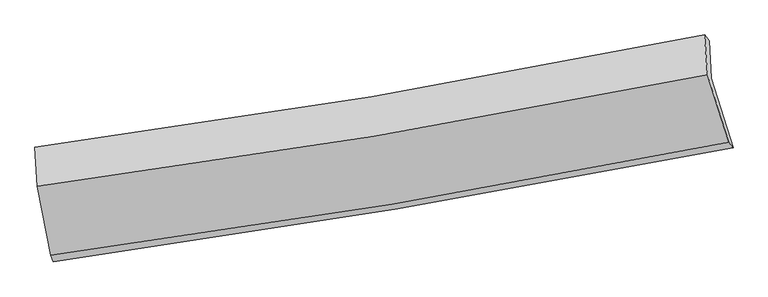
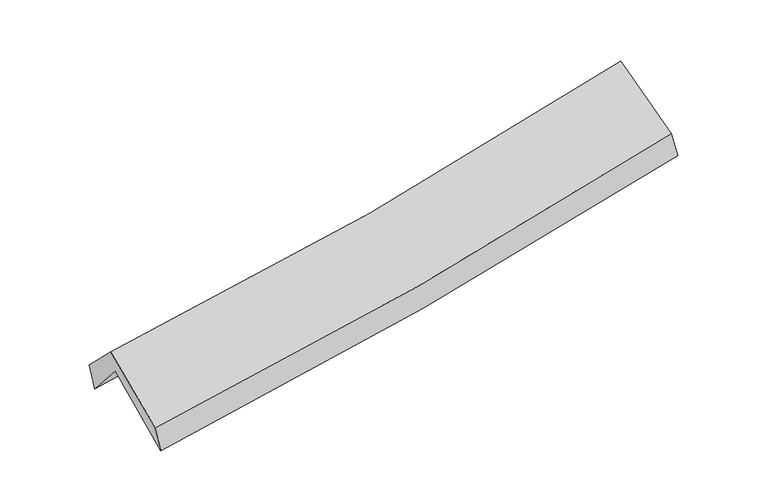
"""IFC4 building model written with IfcOpenShell, lengths in millimetres: proxy geometry."""

from ifc_helpers import new_model, si_unit, frame, origin, place, context, project, spatial, source, transform, mapped, element, save
from ifc_brep_helpers import plane_surface, spline_curve, spline_surface, advanced_brep


def generic_models_846a6b24(model_context):
    return source(origin(), model_context, "Body", "AdvancedBrep", [
        advanced_brep(
        [(-2317.5441132, -2480.0956779, 1473.7495643), (-2413.8974077, -1985.9219531, 1921.5874149), (2340.0819486, -1181.0416966, 2353.175275), (2495.2819859, -1673.8110603, 1929.2039938), (-2428.2475035, -1710.8829562, 1598.7846971), (2325.732573, -915.2609109, 2041.469239), (-2446.9989274, -1669.1166883, 1791.1357887), (2293.1292761, -875.4482292, 2232.0428008), (-2429.4753759, -1946.5556709, 2072.3585669), (2313.9052505, -1156.0303312, 2517.2640381), (-2336.3197271, -2435.780642, 1661.5247478), (2464.0008461, -1635.6224839, 2112.0645276)],
        [
            (0, 1),
            (1, 2, spline_curve(3, [(-2413.8974077, -1985.9219531, 1921.5874149), (-1615.028827053, -1876.365485388, 1979.153439193), (-818.816334677, -1754.390045376, 2043.969436376), (765.826945275, -1486.01945153, 2187.877109697), (1554.274238192, -1339.701472899, 2266.923732327), (2340.0819486, -1181.0416966, 2353.175275)], [4, 2, 4], [0.0, 8.004511836330673, 15.984113828800686])),
            (2, 3),
            (3, 0, spline_curve(3, [(2495.2819859, -1673.8110603, 1929.2039938), (1700.593175304, -1830.041262444, 1832.77461428), (902.809789463, -1975.259226375, 1746.648456025), (-701.446226198, -2244.089626699, 1594.765885268), (-1507.938206467, -2367.633201782, 1529.073900773), (-2317.5441132, -2480.0956779, 1473.7495643)], [4, 2, 4], [0.0, 7.979601992470013, 15.984113828800686])),
            (1, 4),
            (4, 5, spline_curve(3, [(-2428.2475035, -1710.8829562, 1598.7846971), (-1629.419446785, -1601.963698327, 1657.01991092), (-833.227124456, -1481.080290777, 1723.097589705), (751.416521684, -1215.798593953, 1870.707838628), (1539.884225274, -1071.474653165, 1952.191674089), (2325.732573, -915.2609109, 2041.469239)], [4, 2, 4], [0.0, 7.954550317360105, 15.884346269877138])),
            (5, 2),
            (4, 6),
            (6, 7, spline_curve(3, [(-2446.9989274, -1669.1166883, 1791.1357887), (-1648.968352908, -1563.84384428, 1837.908476793), (-854.332073817, -1444.944108489, 1898.115234771), (725.689567436, -1180.303274512, 2045.167721586), (1511.096023103, -1034.646857065, 2131.929967852), (2293.1292761, -875.4482292, 2232.0428008)], [4, 2, 4], [0.0, 7.943119836126779, 15.861520878786806])),
            (7, 5),
            (6, 8),
            (8, 9, spline_curve(3, [(-2429.4753759, -1946.5556709, 2072.3585669), (-1630.797408171, -1842.893615655, 2120.876166217), (-835.56605611, -1725.060763056, 2182.288264235), (745.539401096, -1461.464255254, 2330.670217864), (1531.434924714, -1315.78866131, 2417.559943365), (2313.9052505, -1156.0303312, 2517.2640381)], [4, 2, 4], [0.0, 7.934713481295128, 15.844734329492876])),
            (9, 7),
            (8, 10),
            (10, 11, spline_curve(3, [(-2336.3197271, -2435.780642, 1661.5247478), (-1528.06927814, -2328.210070573, 1712.893652263), (-723.29934805, -2207.620766513, 1776.200171624), (876.785880722, -1940.820478608, 1926.454281682), (1672.122808448, -1794.690396689, 2013.327689128), (2464.0008461, -1635.6224839, 2112.0645276)], [4, 2, 4], [0.0, 7.984669552565222, 15.944491009968585])),
            (11, 9),
            (10, 0),
            (3, 11),
        ],
        [
            spline_surface(3, 3, [[(-2317.5441132, -2480.0956779, 1473.7495643), (-1507.938206533, -2367.633201813, 1529.073900678), (-701.446226171, -2244.089626578, 1594.765885393), (902.809789436, -1975.259226495, 1746.6484559), (1700.593175425, -1830.041262492, 1832.774614329), (2495.2819859, -1673.8110603, 1929.2039938)], [(-2349.661878003, -2315.371102964, 1623.028847836), (-1543.635079969, -2203.877296379, 1679.100413484), (-740.569595637, -2080.856432814, 1744.500402386), (857.14884136, -1812.179301551, 1893.724673828), (1651.820196394, -1666.594665999, 1977.490987027), (2443.54864014, -1509.554605728, 2070.527754206)], [(-2381.779642897, -2150.646528036, 1772.308131364), (-1579.331953495, -2040.121390951, 1829.126926281), (-779.692965123, -1917.623239028, 1894.234919388), (811.487893264, -1649.099376586, 2040.800891765), (1603.047217342, -1503.148069523, 2122.207359705), (2391.81529436, -1345.298151172, 2211.851514594)], [(-2413.8974077, -1985.9219531, 1921.5874149), (-1615.028826931, -1876.365485517, 1979.153439087), (-818.816334589, -1754.390045264, 2043.969436381), (765.826945188, -1486.019451642, 2187.877109693), (1554.27423831, -1339.70147303, 2266.923732403), (2340.0819486, -1181.0416966, 2353.175275)]], [4, 4], [4, 2, 4], [0.0, 2.210555283033769], [0.0, 8.004511836330673, 15.984113828800686]),
            spline_surface(3, 3, [[(-2413.8974077, -1985.9219531, 1921.5874149), (-1615.028826931, -1876.365485517, 1979.153439087), (-818.816334589, -1754.390045264, 2043.969436381), (765.826945188, -1486.019451642, 2187.877109693), (1554.27423831, -1339.70147303, 2266.923732403), (2340.0819486, -1181.0416966, 2353.175275)], [(-2418.680772981, -1894.24228746, 1813.986508962), (-1619.825700196, -1784.898223156, 1871.775596377), (-823.61993125, -1663.286793756, 1937.012154115), (761.023470719, -1395.945832399, 2082.154019369), (1549.477567269, -1250.292533068, 2162.013046275), (2335.298823412, -1092.448101364, 2249.273262985)], [(-2423.464138219, -1802.56262184, 1706.385603038), (-1624.622573417, -1693.430960816, 1764.397753681), (-828.423527902, -1572.183542286, 1830.054871864), (756.21999626, -1305.872213194, 1976.430929058), (1544.68089619, -1160.883593115, 2057.102360193), (2330.515698188, -1003.854506136, 2145.371251015)], [(-2428.2475035, -1710.8829562, 1598.7846971), (-1629.419446682, -1601.963698455, 1657.019910971), (-833.227124563, -1481.080290779, 1723.097589598), (751.416521791, -1215.798593951, 1870.707838734), (1539.884225149, -1071.474653153, 1952.191674066), (2325.732573, -915.2609109, 2041.469239)]], [4, 4], [4, 2, 4], [0.0, 1.375781229108683], [0.0, 7.954550317360105, 15.884346269877138]),
            spline_surface(3, 3, [[(-2428.2475035, -1710.8829562, 1598.7846971), (-1629.419446682, -1601.963698455, 1657.019910971), (-833.227124563, -1481.080290779, 1723.097589598), (751.416521791, -1215.798593951, 1870.707838734), (1539.884225149, -1071.474653153, 1952.191674066), (2325.732573, -915.2609109, 2041.469239)], [(-2434.497978149, -1696.960866901, 1662.901727647), (-1635.93574877, -1589.257080354, 1717.316099594), (-840.262107694, -1469.034896727, 1781.436804639), (742.840870365, -1203.966820788, 1928.861133037), (1530.28815777, -1059.19872107, 2012.104438637), (2314.864807364, -901.990016986, 2104.993759609)], [(-2440.748452751, -1683.038777599, 1727.018758153), (-1642.452050811, -1576.550462251, 1777.612288176), (-847.297090794, -1456.989502633, 1839.776019677), (734.265218969, -1192.135047583, 1987.014427336), (1520.692090399, -1046.922789029, 2072.017203182), (2303.997041736, -888.719123114, 2168.518280191)], [(-2446.9989274, -1669.1166883, 1791.1357887), (-1648.968352899, -1563.84384415, 1837.908476798), (-854.332073925, -1444.944108582, 1898.115234718), (725.689567543, -1180.30327442, 2045.167721639), (1511.09602302, -1034.646856946, 2131.929967754), (2293.1292761, -875.4482292, 2232.0428008)]], [4, 4], [4, 2, 4], [0.0, 0.5902299707123293], [0.0, 7.943119836126779, 15.861520878786806]),
            spline_surface(3, 3, [[(-2446.9989274, -1669.1166883, 1791.1357887), (-1648.968352899, -1563.84384415, 1837.908476798), (-854.332073925, -1444.944108582, 1898.115234718), (725.689567543, -1180.30327442, 2045.167721639), (1511.09602302, -1034.646856946, 2131.929967754), (2293.1292761, -875.4482292, 2232.0428008)], [(-2441.157743558, -1761.596349188, 1884.876714759), (-1642.911371275, -1656.860434653, 1932.23103992), (-848.076734673, -1538.316326723, 1992.839577915), (732.306178731, -1274.023601388, 2140.335220394), (1517.875656894, -1128.360791761, 2227.139959671), (2300.054600884, -968.975596544, 2327.11654657)], [(-2435.316559742, -1854.076010012, 1978.617640841), (-1636.854389677, -1749.877025093, 2026.553603066), (-841.821395398, -1631.688544854, 2087.563921055), (738.922789943, -1367.743928346, 2235.502719091), (1524.655290818, -1222.074726544, 2322.349951577), (2306.979925716, -1062.502963856, 2422.19029233)], [(-2429.4753759, -1946.5556709, 2072.3585669), (-1630.797408052, -1842.893615596, 2120.876166187), (-835.566056145, -1725.060762996, 2182.288264252), (745.539401131, -1461.464255314, 2330.670217847), (1531.434924692, -1315.788661359, 2417.559943494), (2313.9052505, -1156.0303312, 2517.2640381)]], [4, 4], [4, 2, 4], [0.0, 1.3134072469798885], [0.0, 7.934713481295128, 15.844734329492876]),
            spline_surface(3, 3, [[(-2429.4753759, -1946.5556709, 2072.3585669), (-1630.797408052, -1842.893615596, 2120.876166187), (-835.566056145, -1725.060762996, 2182.288264252), (745.539401131, -1461.464255314, 2330.670217847), (1531.434924692, -1315.788661359, 2417.559943494), (2313.9052505, -1156.0303312, 2517.2640381)], [(-2398.423492963, -2109.630661264, 1935.413960539), (-1596.554698051, -2004.665767228, 1984.881994899), (-798.14382012, -1885.914097507, 2046.925566675), (789.288227686, -1621.249663079, 2195.931572438), (1578.33088598, -1475.422573084, 2282.815858654), (2363.937115708, -1315.894382086, 2382.197534578)], [(-2367.371610037, -2272.705651636, 1798.469354161), (-1562.31198806, -2166.437918868, 1848.887823592), (-760.721584122, -2046.76743201, 1911.56286918), (833.037054213, -1781.035070836, 2061.192927113), (1625.226847244, -1635.056484852, 2148.071773879), (2413.968980892, -1475.758433014, 2247.131031122)], [(-2336.3197271, -2435.780642, 1661.5247478), (-1528.069278059, -2328.210070499, 1712.893652304), (-723.299348096, -2207.620766522, 1776.200171603), (876.785880768, -1940.8204786, 1926.454281704), (1672.122808532, -1794.690396578, 2013.327689039), (2464.0008461, -1635.6224839, 2112.0645276)]], [4, 4], [4, 2, 4], [0.0, 2.101514351536171], [0.0, 7.984669552565222, 15.944491009968585]),
            spline_surface(3, 3, [[(-2336.3197271, -2435.780642, 1661.5247478), (-1528.069278059, -2328.210070499, 1712.893652304), (-723.299348096, -2207.620766522, 1776.200171603), (876.785880768, -1940.8204786, 1926.454281704), (1672.122808532, -1794.690396578, 2013.327689039), (2464.0008461, -1635.6224839, 2112.0645276)], [(-2330.061189146, -2450.552320624, 1598.933019956), (-1521.358920896, -2341.351114261, 1651.620401752), (-716.014974117, -2219.777053192, 1715.722076215), (885.460516995, -1952.300061217, 1866.519006451), (1681.612930822, -1806.474018575, 1953.14333082), (2474.427892692, -1648.352009393, 2051.111016351)], [(-2323.802651154, -2465.323999276, 1536.341292144), (-1514.648563696, -2354.492158051, 1590.34715123), (-708.730600151, -2231.933339908, 1655.243980781), (894.135153209, -1963.779643878, 1806.583731153), (1691.103053135, -1818.257640495, 1892.958972548), (2484.854939308, -1661.081534807, 1990.157505049)], [(-2317.5441132, -2480.0956779, 1473.7495643), (-1507.938206533, -2367.633201813, 1529.073900678), (-701.446226171, -2244.089626578, 1594.765885393), (902.809789436, -1975.259226495, 1746.6484559), (1700.593175425, -1830.041262492, 1832.774614329), (2495.2819859, -1673.8110603, 1929.2039938)]], [4, 4], [4, 2, 4], [0.0, 0.6089866746263775], [0.0, 8.043075784383765, 16.061121714849506]),
            plane_surface(frame((2372.02198, -1239.5357854, 2197.5366457), z_axis=(0.9720640048371478, 0.19880796536208262, 0.12476763766519967), x_axis=(0.23251111068267835, -0.7429298882907388, -0.6276892260453558))),
            plane_surface(frame((-2395.4138425, -2038.0589314, 1753.1901299), z_axis=(-0.989014429830816, -0.13129887244400665, -0.06790481338873142), x_axis=(-0.09685892572976464, 0.22861072876627317, 0.9686875054419921))),
        ],
        [
            (0, [[1, 2, 3, 4]]),
            (1, [[5, 6, 7, -2]]),
            (2, [[8, 9, 10, -6]]),
            (3, [[11, 12, 13, -9]]),
            (4, [[14, 15, 16, -12]]),
            (5, [[17, -4, 18, -15]]),
            (6, [[-16, -18, -3, -7, -10, -13]]),
            (7, [[-17, -14, -11, -8, -5, -1]]),
        ],
    ),
    ])


if __name__ == "__main__":
    model = new_model("IFC4")
    model_context = context("Model", 3, world=origin())
    ifc_project = project(units=[si_unit("LENGTHUNIT", "METRE", prefix="MILLI")], contexts=[model_context])
    site = spatial("IfcSite", under=ifc_project)
    building = spatial("IfcBuilding", under=site)
    placement = place(None, origin())
    generic_models_shape = generic_models_846a6b24(model_context)
    element("IfcBuildingElementProxy", 1, Name="Generic Models", at=placement, inside=building, context=model_context, shape_type="MappedRepresentation", body=[
        mapped(generic_models_shape, transform((0.0, 0.0, 0.0), x_axis=(1.0, 0.0, 0.0), y_axis=(0.0, 1.0, 0.0), z_axis=(0.0, 0.0, 1.0))),
    ])
    save(model, "model.ifc")
